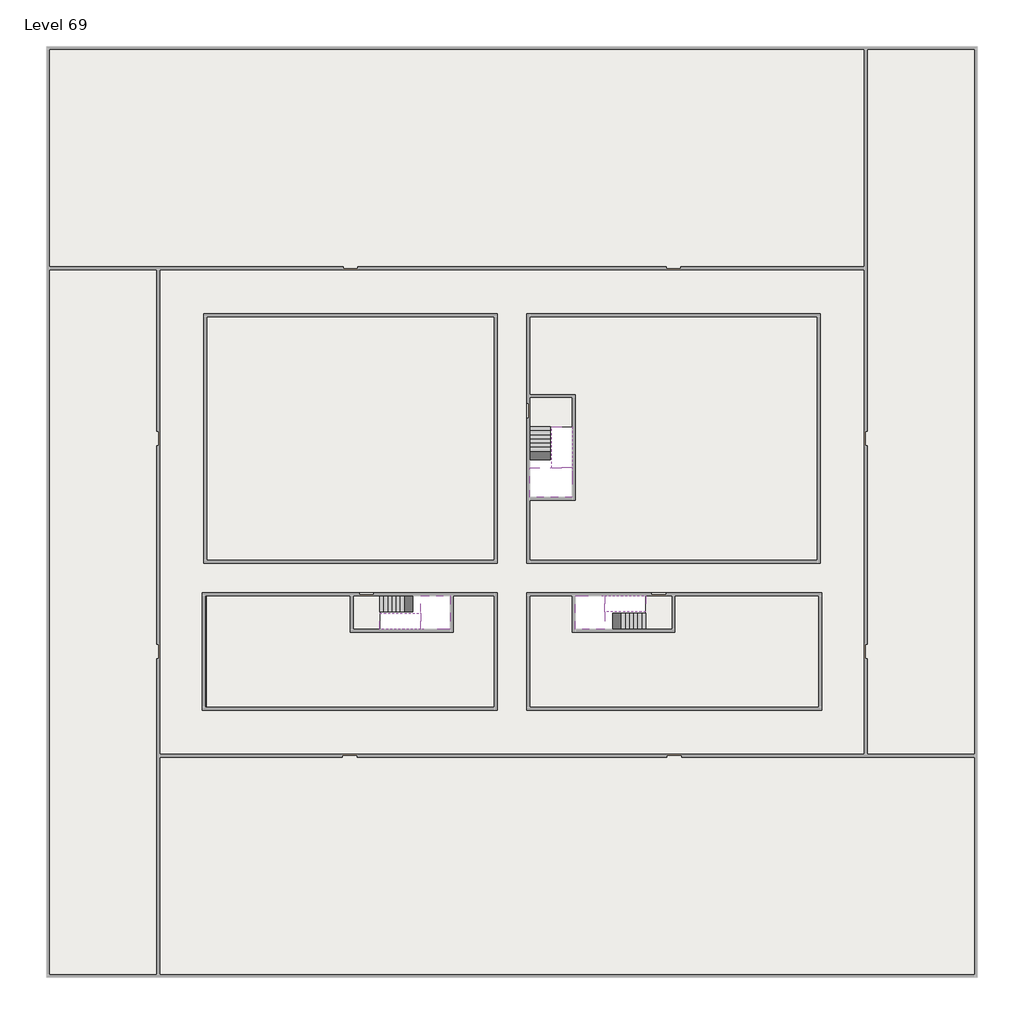
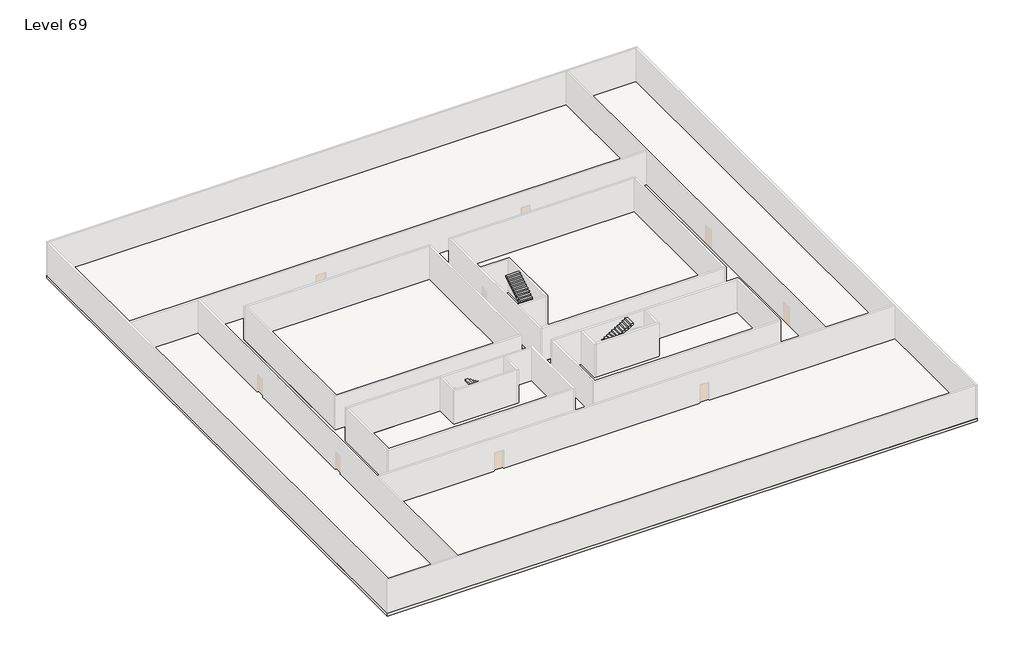
# One storey, part 2 of 2: 6 slabs, 6 stair flights.
"""IFC4 building model written with IfcOpenShell, lengths in millimetres."""

from ifc_helpers import new_model, si_unit, frame, origin, place, context, project, spatial, polyline, outline, extrude, faceted_brep, element, save

model = new_model("IFC4")

# Units and contexts
model_context = context("Model", 3, world=origin())
ifc_project = project(units=[si_unit("LENGTHUNIT", "METRE", prefix="MILLI")], contexts=[model_context])

# Site, building, storey
site = spatial("IfcSite", under=ifc_project)
building = spatial("IfcBuilding", under=site)
storey = spatial("IfcBuildingStorey", under=building, Name="Level 69", Elevation=258400.0)

# Slabs
placement = place(None, origin())
element("IfcSlab", 1, at=placement, inside=storey, context=model_context, shape_type="SweptSolid", body=[
    extrude(outline(polyline([(55890.1058784, -5518.09644), (55890.1058784, -68918.09644), (-7509.8941216, -68918.09644), (-7509.8941216, -5518.09644), (55890.1058784, -5518.09644)]), holes=[polyline([(23190.1058784, -23718.09644), (3190.1058784, -23718.09644), (3190.1058784, -40718.09644), (23190.1058784, -40718.09644), (23190.1058784, -23718.09644)]), polyline([(45190.1058784, -23718.09644), (25190.1058784, -23718.09644), (25190.1058784, -40718.09644), (45190.1058784, -40718.09644), (45190.1058784, -23718.09644)]), polyline([(23190.1058784, -50718.09644), (23190.1058784, -42718.09644), (3390.1058784, -42718.09644), (3390.1058784, -50718.09644), (23190.1058784, -50718.09644)]), polyline([(25190.1058784, -50718.09644), (45190.1058784, -50718.09644), (45190.1058784, -42718.09644), (25190.1058784, -42718.09644), (25190.1058784, -50718.09644)])]), frame((0.0, 0.0, 258100.0), z_axis=(0.0, 0.0, 1.0), x_axis=(1.0, 0.0, 0.0)), (0.0, 0.0, 1.0), 300.0),
])
element("IfcSlab", 2, at=placement, inside=storey, context=model_context, shape_type="Brep", body=[
    faceted_brep([(26790.1058784, -34218.09644, 260300.0), (25390.1058784, -34218.09644, 260300.0), (25390.1058784, -34297.4828763, 260300.0), (25390.1058784, -36218.09644, 260300.0), (28290.1058784, -36218.09644, 260300.0), (28290.1058784, -34418.7100038, 260300.0), (28290.1058784, -34218.09644, 260300.0), (26890.1058784, -34218.09644, 260300.0), (26790.1058784, -34218.09644, 260000.0), (26790.1058784, -34218.09644, 259951.0278478), (25390.1058784, -34218.09644, 259951.0278478), (25390.1058784, -34218.09644, 260127.2727273), (25390.1058784, -34297.4828763, 260000.0), (25390.1058784, -36218.09644, 260000.0), (28290.1058784, -36218.09644, 260000.0), (28290.1058784, -34418.7100038, 260000.0), (28290.1058784, -34218.09644, 260123.7551205), (26890.1058784, -34218.09644, 260123.7551205), (26890.1058784, -34218.09644, 260000.0), (26890.1058784, -34418.7100038, 260000.0), (26790.1058784, -34297.4828763, 260000.0)], [[[0, 1, 2, 3, 4, 5, 6, 7]], [[1, 0, 8, 9, 10, 11]], [[1, 11, 10, 12, 13, 3, 2]], [[4, 3, 13, 14]], [[4, 14, 15, 16, 6, 5]], [[7, 6, 16, 17]], [[0, 7, 17, 18, 8]], [[18, 19, 15, 14, 13, 12, 20, 8]], [[19, 18, 17]], [[20, 12, 10, 9]], [[8, 20, 9]], [[15, 19, 17, 16]]]),
])
element("IfcSlab", 3, at=placement, inside=storey, context=model_context, shape_type="SweptSolid", body=[
    extrude(outline(polyline([(22990.1058784, -23918.09644), (22990.1058784, -40518.09644), (3390.1058784, -40518.09644), (3390.1058784, -23918.09644), (22990.1058784, -23918.09644)])), frame((0.0, 0.0, 258100.0), z_axis=(0.0, 0.0, 1.0), x_axis=(1.0, 0.0, 0.0)), (0.0, 0.0, 1.0), 300.0),
    extrude(outline(polyline([(44990.1058784, -23918.09644), (44990.1058784, -40518.09644), (25390.1058784, -40518.09644), (25390.1058784, -36418.09644), (28490.1058784, -36418.09644), (28490.1058784, -29218.09644), (25390.1058784, -29218.09644), (25390.1058784, -23918.09644), (44990.1058784, -23918.09644)])), frame((0.0, 0.0, 258100.0), z_axis=(0.0, 0.0, 1.0), x_axis=(1.0, 0.0, 0.0)), (0.0, 0.0, 1.0), 300.0),
    extrude(outline(polyline([(22990.1058784, -42918.09644), (22990.1058784, -50518.09644), (3390.1058784, -50518.09644), (3390.1058784, -42918.09644), (13190.1058784, -42918.09644), (13190.1058784, -45418.09644), (20190.1058784, -45418.09644), (20190.1058784, -42918.09644), (22990.1058784, -42918.09644)])), frame((0.0, 0.0, 258100.0), z_axis=(0.0, 0.0, 1.0), x_axis=(1.0, 0.0, 0.0)), (0.0, 0.0, 1.0), 300.0),
    extrude(outline(polyline([(28290.1058784, -42918.09644), (28290.1058784, -45418.09644), (35290.1058784, -45418.09644), (35290.1058784, -42918.09644), (45090.1058784, -42918.09644), (45090.1058784, -50518.09644), (25390.1058784, -50518.09644), (25390.1058784, -42918.09644), (28290.1058784, -42918.09644)])), frame((0.0, 0.0, 258100.0), z_axis=(0.0, 0.0, 1.0), x_axis=(1.0, 0.0, 0.0)), (0.0, 0.0, 1.0), 300.0),
])
element("IfcSlab", 4, at=placement, inside=storey, context=model_context, shape_type="Brep", body=[
    faceted_brep([(30490.1058784, -45218.09644, 260300.0), (30490.1058784, -44118.09644, 260300.0), (30490.1058784, -44018.09644, 260300.0), (30490.1058784, -42918.09644, 260300.0), (30289.4923146, -42918.09644, 260300.0), (28490.1058784, -42918.09644, 260300.0), (28490.1058784, -45218.09644, 260300.0), (30410.7194421, -45218.09644, 260300.0), (30490.1058784, -45218.09644, 260127.2727273), (30490.1058784, -45218.09644, 259951.0278478), (30490.1058784, -44118.09644, 259951.0278478), (30490.1058784, -44118.09644, 260000.0), (30490.1058784, -44018.09644, 260000.0), (30490.1058784, -44018.09644, 260123.7551205), (30490.1058784, -42918.09644, 260123.7551205), (30289.4923146, -42918.09644, 260000.0), (28490.1058784, -42918.09644, 260000.0), (28490.1058784, -45218.09644, 260000.0), (30410.7194421, -45218.09644, 260000.0), (30289.4923146, -44018.09644, 260000.0), (30410.7194421, -44118.09644, 260000.0)], [[[0, 1, 2, 3, 4, 5, 6, 7]], [[1, 0, 8, 9, 10, 11]], [[2, 1, 11, 12, 13]], [[3, 2, 13, 14]], [[3, 14, 15, 16, 5, 4]], [[6, 5, 16, 17]], [[9, 8, 0, 7, 6, 17, 18]], [[19, 12, 11, 20, 18, 17, 16, 15]], [[12, 19, 13]], [[18, 20, 10, 9]], [[20, 11, 10]], [[19, 15, 14, 13]]]),
])
element("IfcSlab", 5, at=placement, inside=storey, context=model_context, shape_type="Brep", body=[
    faceted_brep([(17990.1058784, -42918.09644, 260300.0), (17990.1058784, -44018.09644, 260300.0), (17990.1058784, -44118.09644, 260300.0), (17990.1058784, -45218.09644, 260300.0), (18190.7194421, -45218.09644, 260300.0), (19990.1058784, -45218.09644, 260300.0), (19990.1058784, -42918.09644, 260300.0), (18069.4923146, -42918.09644, 260300.0), (17990.1058784, -42918.09644, 260127.2727273), (17990.1058784, -42918.09644, 259951.0278478), (17990.1058784, -44018.09644, 259951.0278478), (17990.1058784, -44018.09644, 260000.0), (17990.1058784, -44118.09644, 260000.0), (17990.1058784, -44118.09644, 260123.7551205), (17990.1058784, -45218.09644, 260123.7551205), (18190.7194421, -45218.09644, 260000.0), (19990.1058784, -45218.09644, 260000.0), (19990.1058784, -42918.09644, 260000.0), (18069.4923146, -42918.09644, 260000.0), (18190.7194421, -44118.09644, 260000.0), (18069.4923146, -44018.09644, 260000.0)], [[[0, 1, 2, 3, 4, 5, 6, 7]], [[1, 0, 8, 9, 10, 11]], [[2, 1, 11, 12, 13]], [[3, 2, 13, 14]], [[3, 14, 15, 16, 5, 4]], [[6, 5, 16, 17]], [[9, 8, 0, 7, 6, 17, 18]], [[19, 12, 11, 20, 18, 17, 16, 15]], [[12, 19, 13]], [[18, 20, 10, 9]], [[20, 11, 10]], [[19, 15, 14, 13]]]),
])
element("IfcSlab", 6, at=placement, inside=storey, context=model_context, shape_type="SweptSolid", body=[
    extrude(outline(polyline([(25190.1058784, -29418.09644), (28290.1058784, -29418.09644), (28290.1058784, -31418.09644), (25190.1058784, -31418.09644), (25190.1058784, -29418.09644)])), frame((0.0, 0.0, 258100.0), z_axis=(0.0, 0.0, 1.0), x_axis=(1.0, 0.0, 0.0)), (0.0, 0.0, 1.0), 300.0),
    extrude(outline(polyline([(15190.1058784, -45218.09644), (13390.1058784, -45218.09644), (13390.1058784, -42718.09644), (15190.1058784, -42718.09644), (15190.1058784, -45218.09644)])), frame((0.0, 0.0, 258100.0), z_axis=(0.0, 0.0, 1.0), x_axis=(1.0, 0.0, 0.0)), (0.0, 0.0, 1.0), 300.0),
    extrude(outline(polyline([(35090.1058784, -45218.09644), (33290.1058784, -45218.09644), (33290.1058784, -42718.09644), (35090.1058784, -42718.09644), (35090.1058784, -45218.09644)])), frame((0.0, 0.0, 258100.0), z_axis=(0.0, 0.0, 1.0), x_axis=(1.0, 0.0, 0.0)), (0.0, 0.0, 1.0), 300.0),
])

# Stair flights
element("IfcStairFlight", 7, at=placement, inside=storey, context=model_context, shape_type="Brep", body=[
    faceted_brep([(26790.1058784, -31698.09644, 258572.7272727), (26790.1058784, -31418.09644, 258572.7272727), (25390.1058784, -31418.09644, 258572.7272727), (25390.1058784, -31698.09644, 258572.7272727), (26790.1058784, -31698.09644, 258400.0), (26790.1058784, -31418.09644, 258400.0), (25390.1058784, -31418.09644, 258400.0), (25390.1058784, -31698.09644, 258400.0), (26790.1058784, -31978.09644, 258745.4545455), (26790.1058784, -31698.09644, 258745.4545455), (25390.1058784, -31698.09644, 258745.4545455), (25390.1058784, -31978.09644, 258745.4545455), (26790.1058784, -31978.09644, 258569.209666), (26790.1058784, -31703.7986657, 258400.0), (25390.1058784, -31703.7986657, 258400.0), (25390.1058784, -31978.09644, 258569.209666), (26790.1058784, -32258.09644, 258918.1818182), (26790.1058784, -31978.09644, 258918.1818182), (25390.1058784, -31978.09644, 258918.1818182), (25390.1058784, -32258.09644, 258918.1818182), (26790.1058784, -32258.09644, 258741.9369387), (25390.1058784, -32258.09644, 258741.9369387), (26790.1058784, -32538.09644, 259090.9090909), (26790.1058784, -32258.09644, 259090.9090909), (25390.1058784, -32258.09644, 259090.9090909), (25390.1058784, -32538.09644, 259090.9090909), (26790.1058784, -32538.09644, 258914.6642114), (25390.1058784, -32538.09644, 258914.6642114), (26790.1058784, -32818.09644, 259263.6363636), (26790.1058784, -32538.09644, 259263.6363636), (25390.1058784, -32538.09644, 259263.6363636), (25390.1058784, -32818.09644, 259263.6363636), (26790.1058784, -32818.09644, 259087.3914841), (25390.1058784, -32818.09644, 259087.3914841), (26790.1058784, -33098.09644, 259436.3636364), (26790.1058784, -32818.09644, 259436.3636364), (25390.1058784, -32818.09644, 259436.3636364), (25390.1058784, -33098.09644, 259436.3636364), (26790.1058784, -33098.09644, 259260.1187569), (25390.1058784, -33098.09644, 259260.1187569), (26790.1058784, -33378.09644, 259609.0909091), (26790.1058784, -33098.09644, 259609.0909091), (25390.1058784, -33098.09644, 259609.0909091), (25390.1058784, -33378.09644, 259609.0909091), (26790.1058784, -33378.09644, 259432.8460296), (25390.1058784, -33378.09644, 259432.8460296), (26790.1058784, -33658.09644, 259781.8181818), (26790.1058784, -33378.09644, 259781.8181818), (25390.1058784, -33378.09644, 259781.8181818), (25390.1058784, -33658.09644, 259781.8181818), (26790.1058784, -33658.09644, 259605.5733023), (25390.1058784, -33658.09644, 259605.5733023), (26790.1058784, -33938.09644, 259954.5454545), (26790.1058784, -33658.09644, 259954.5454545), (25390.1058784, -33658.09644, 259954.5454545), (25390.1058784, -33938.09644, 259954.5454545), (26790.1058784, -33938.09644, 259778.3005751), (25390.1058784, -33938.09644, 259778.3005751), (26790.1058784, -34218.09644, 260127.2727273), (26790.1058784, -33938.09644, 260127.2727273), (25390.1058784, -33938.09644, 260127.2727273), (25390.1058784, -34218.09644, 260127.2727273), (26790.1058784, -34218.09644, 260000.0), (26790.1058784, -34218.09644, 259951.0278478), (25390.1058784, -34218.09644, 259951.0278478)], [[[0, 1, 2, 3]], [[1, 0, 4, 5]], [[2, 1, 5, 6]], [[3, 2, 6, 7]], [[8, 9, 10, 11]], [[4, 0, 9, 8, 12, 13]], [[0, 3, 10, 9]], [[3, 7, 14, 15, 11, 10]], [[16, 17, 18, 19]], [[17, 16, 20, 12, 8]], [[8, 11, 18, 17]], [[19, 18, 11, 15, 21]], [[22, 23, 24, 25]], [[23, 22, 26, 20, 16]], [[16, 19, 24, 23]], [[25, 24, 19, 21, 27]], [[28, 29, 30, 31]], [[29, 28, 32, 26, 22]], [[22, 25, 30, 29]], [[31, 30, 25, 27, 33]], [[34, 35, 36, 37]], [[35, 34, 38, 32, 28]], [[28, 31, 36, 35]], [[37, 36, 31, 33, 39]], [[40, 41, 42, 43]], [[41, 40, 44, 38, 34]], [[34, 37, 42, 41]], [[43, 42, 37, 39, 45]], [[46, 47, 48, 49]], [[47, 46, 50, 44, 40]], [[40, 43, 48, 47]], [[49, 48, 43, 45, 51]], [[52, 53, 54, 55]], [[53, 52, 56, 50, 46]], [[46, 49, 54, 53]], [[55, 54, 49, 51, 57]], [[58, 59, 60, 61]], [[59, 58, 62, 63, 56, 52]], [[52, 55, 60, 59]], [[61, 60, 55, 57, 64]], [[58, 61, 64, 63, 62]], [[5, 4, 13, 14, 7, 6]], [[14, 13, 12, 20, 26, 32, 38, 44, 50, 56, 63, 64, 57, 51, 45, 39, 33, 27, 21, 15]]]),
])
element("IfcStairFlight", 8, at=placement, inside=storey, context=model_context, shape_type="Brep", body=[
    faceted_brep([(26890.1058784, -33938.09644, 260472.7272727), (26890.1058784, -34218.09644, 260472.7272727), (28290.1058784, -34218.09644, 260472.7272727), (28290.1058784, -33938.09644, 260472.7272727), (26890.1058784, -33938.09644, 260296.4823932), (26890.1058784, -34218.09644, 260123.7551205), (28290.1058784, -34218.09644, 260123.7551205), (28290.1058784, -34218.09644, 260300.0), (28290.1058784, -33938.09644, 260296.4823932), (26890.1058784, -33658.09644, 260645.4545455), (26890.1058784, -33938.09644, 260645.4545455), (28290.1058784, -33938.09644, 260645.4545455), (28290.1058784, -33658.09644, 260645.4545455), (26890.1058784, -33658.09644, 260469.209666), (28290.1058784, -33658.09644, 260469.209666), (26890.1058784, -33378.09644, 260818.1818182), (26890.1058784, -33658.09644, 260818.1818182), (28290.1058784, -33658.09644, 260818.1818182), (28290.1058784, -33378.09644, 260818.1818182), (26890.1058784, -33378.09644, 260641.9369387), (28290.1058784, -33378.09644, 260641.9369387), (26890.1058784, -33098.09644, 260990.9090909), (26890.1058784, -33378.09644, 260990.9090909), (28290.1058784, -33378.09644, 260990.9090909), (28290.1058784, -33098.09644, 260990.9090909), (26890.1058784, -33098.09644, 260814.6642114), (28290.1058784, -33098.09644, 260814.6642114), (26890.1058784, -32818.09644, 261163.6363636), (26890.1058784, -33098.09644, 261163.6363636), (28290.1058784, -33098.09644, 261163.6363636), (28290.1058784, -32818.09644, 261163.6363636), (26890.1058784, -32818.09644, 260987.3914841), (28290.1058784, -32818.09644, 260987.3914841), (26890.1058784, -32538.09644, 261336.3636364), (26890.1058784, -32818.09644, 261336.3636364), (28290.1058784, -32818.09644, 261336.3636364), (28290.1058784, -32538.09644, 261336.3636364), (26890.1058784, -32538.09644, 261160.1187569), (28290.1058784, -32538.09644, 261160.1187569), (26890.1058784, -32258.09644, 261509.0909091), (26890.1058784, -32538.09644, 261509.0909091), (28290.1058784, -32538.09644, 261509.0909091), (28290.1058784, -32258.09644, 261509.0909091), (26890.1058784, -32258.09644, 261332.8460296), (28290.1058784, -32258.09644, 261332.8460296), (26890.1058784, -31978.09644, 261681.8181818), (26890.1058784, -32258.09644, 261681.8181818), (28290.1058784, -32258.09644, 261681.8181818), (28290.1058784, -31978.09644, 261681.8181818), (26890.1058784, -31978.09644, 261505.5733023), (28290.1058784, -31978.09644, 261505.5733023), (26890.1058784, -31698.09644, 261854.5454545), (26890.1058784, -31978.09644, 261854.5454545), (28290.1058784, -31978.09644, 261854.5454545), (28290.1058784, -31698.09644, 261854.5454545), (26890.1058784, -31698.09644, 261678.3005751), (28290.1058784, -31698.09644, 261678.3005751), (26890.1058784, -31418.09644, 262027.2727273), (26890.1058784, -31698.09644, 262027.2727273), (28290.1058784, -31698.09644, 262027.2727273), (28290.1058784, -31418.09644, 262027.2727273), (26890.1058784, -31418.09644, 261851.0278478), (28290.1058784, -31418.09644, 261851.0278478)], [[[0, 1, 2, 3]], [[1, 0, 4, 5]], [[2, 1, 5, 6, 7]], [[3, 2, 7, 6, 8]], [[9, 10, 11, 12]], [[10, 9, 13, 4, 0]], [[11, 10, 0, 3]], [[12, 11, 3, 8, 14]], [[15, 16, 17, 18]], [[16, 15, 19, 13, 9]], [[17, 16, 9, 12]], [[18, 17, 12, 14, 20]], [[21, 22, 23, 24]], [[22, 21, 25, 19, 15]], [[23, 22, 15, 18]], [[24, 23, 18, 20, 26]], [[27, 28, 29, 30]], [[28, 27, 31, 25, 21]], [[29, 28, 21, 24]], [[30, 29, 24, 26, 32]], [[33, 34, 35, 36]], [[34, 33, 37, 31, 27]], [[35, 34, 27, 30]], [[36, 35, 30, 32, 38]], [[39, 40, 41, 42]], [[40, 39, 43, 37, 33]], [[41, 40, 33, 36]], [[42, 41, 36, 38, 44]], [[45, 46, 47, 48]], [[46, 45, 49, 43, 39]], [[47, 46, 39, 42]], [[48, 47, 42, 44, 50]], [[51, 52, 53, 54]], [[52, 51, 55, 49, 45]], [[53, 52, 45, 48]], [[54, 53, 48, 50, 56]], [[57, 58, 59, 60]], [[58, 57, 61, 55, 51]], [[59, 58, 51, 54]], [[60, 59, 54, 56, 62]], [[57, 60, 62, 61]], [[5, 4, 13, 19, 25, 31, 37, 43, 49, 55, 61, 62, 56, 50, 44, 38, 32, 26, 20, 14, 8, 6]]]),
])
element("IfcStairFlight", 9, at=placement, inside=storey, context=model_context, shape_type="Brep", body=[
    faceted_brep([(33010.1058784, -45218.09644, 258572.7272727), (33290.1058784, -45218.09644, 258572.7272727), (33290.1058784, -44118.09644, 258572.7272727), (33010.1058784, -44118.09644, 258572.7272727), (33010.1058784, -45218.09644, 258400.0), (33290.1058784, -45218.09644, 258400.0), (33290.1058784, -44118.09644, 258400.0), (33010.1058784, -44118.09644, 258400.0), (32730.1058784, -45218.09644, 258745.4545455), (33010.1058784, -45218.09644, 258745.4545455), (33010.1058784, -44118.09644, 258745.4545455), (32730.1058784, -44118.09644, 258745.4545455), (32730.1058784, -45218.09644, 258569.209666), (33004.4036527, -45218.09644, 258400.0), (33004.4036527, -44118.09644, 258400.0), (32730.1058784, -44118.09644, 258569.209666), (32450.1058784, -45218.09644, 258918.1818182), (32730.1058784, -45218.09644, 258918.1818182), (32730.1058784, -44118.09644, 258918.1818182), (32450.1058784, -44118.09644, 258918.1818182), (32450.1058784, -45218.09644, 258741.9369387), (32450.1058784, -44118.09644, 258741.9369387), (32170.1058784, -45218.09644, 259090.9090909), (32450.1058784, -45218.09644, 259090.9090909), (32450.1058784, -44118.09644, 259090.9090909), (32170.1058784, -44118.09644, 259090.9090909), (32170.1058784, -45218.09644, 258914.6642114), (32170.1058784, -44118.09644, 258914.6642114), (31890.1058784, -45218.09644, 259263.6363636), (32170.1058784, -45218.09644, 259263.6363636), (32170.1058784, -44118.09644, 259263.6363636), (31890.1058784, -44118.09644, 259263.6363636), (31890.1058784, -45218.09644, 259087.3914841), (31890.1058784, -44118.09644, 259087.3914841), (31610.1058784, -45218.09644, 259436.3636364), (31890.1058784, -45218.09644, 259436.3636364), (31890.1058784, -44118.09644, 259436.3636364), (31610.1058784, -44118.09644, 259436.3636364), (31610.1058784, -45218.09644, 259260.1187569), (31610.1058784, -44118.09644, 259260.1187569), (31330.1058784, -45218.09644, 259609.0909091), (31610.1058784, -45218.09644, 259609.0909091), (31610.1058784, -44118.09644, 259609.0909091), (31330.1058784, -44118.09644, 259609.0909091), (31330.1058784, -45218.09644, 259432.8460296), (31330.1058784, -44118.09644, 259432.8460296), (31050.1058784, -45218.09644, 259781.8181818), (31330.1058784, -45218.09644, 259781.8181818), (31330.1058784, -44118.09644, 259781.8181818), (31050.1058784, -44118.09644, 259781.8181818), (31050.1058784, -45218.09644, 259605.5733023), (31050.1058784, -44118.09644, 259605.5733023), (30770.1058784, -45218.09644, 259954.5454545), (31050.1058784, -45218.09644, 259954.5454545), (31050.1058784, -44118.09644, 259954.5454545), (30770.1058784, -44118.09644, 259954.5454545), (30770.1058784, -45218.09644, 259778.3005751), (30770.1058784, -44118.09644, 259778.3005751), (30490.1058784, -45218.09644, 260127.2727273), (30770.1058784, -45218.09644, 260127.2727273), (30770.1058784, -44118.09644, 260127.2727273), (30490.1058784, -44118.09644, 260127.2727273), (30490.1058784, -45218.09644, 259951.0278478), (30490.1058784, -44118.09644, 259951.0278478), (30490.1058784, -44118.09644, 260000.0)], [[[0, 1, 2, 3]], [[1, 0, 4, 5]], [[2, 1, 5, 6]], [[3, 2, 6, 7]], [[8, 9, 10, 11]], [[4, 0, 9, 8, 12, 13]], [[0, 3, 10, 9]], [[3, 7, 14, 15, 11, 10]], [[16, 17, 18, 19]], [[17, 16, 20, 12, 8]], [[8, 11, 18, 17]], [[19, 18, 11, 15, 21]], [[22, 23, 24, 25]], [[23, 22, 26, 20, 16]], [[16, 19, 24, 23]], [[25, 24, 19, 21, 27]], [[28, 29, 30, 31]], [[29, 28, 32, 26, 22]], [[22, 25, 30, 29]], [[31, 30, 25, 27, 33]], [[34, 35, 36, 37]], [[35, 34, 38, 32, 28]], [[28, 31, 36, 35]], [[37, 36, 31, 33, 39]], [[40, 41, 42, 43]], [[41, 40, 44, 38, 34]], [[34, 37, 42, 41]], [[43, 42, 37, 39, 45]], [[46, 47, 48, 49]], [[47, 46, 50, 44, 40]], [[40, 43, 48, 47]], [[49, 48, 43, 45, 51]], [[52, 53, 54, 55]], [[53, 52, 56, 50, 46]], [[46, 49, 54, 53]], [[55, 54, 49, 51, 57]], [[58, 59, 60, 61]], [[59, 58, 62, 56, 52]], [[52, 55, 60, 59]], [[61, 60, 55, 57, 63, 64]], [[58, 61, 64, 63, 62]], [[5, 4, 13, 14, 7, 6]], [[14, 13, 12, 20, 26, 32, 38, 44, 50, 56, 62, 63, 57, 51, 45, 39, 33, 27, 21, 15]]]),
])
element("IfcStairFlight", 10, at=placement, inside=storey, context=model_context, shape_type="Brep", body=[
    faceted_brep([(30770.1058784, -42918.09644, 260472.7272727), (30490.1058784, -42918.09644, 260472.7272727), (30490.1058784, -44018.09644, 260472.7272727), (30770.1058784, -44018.09644, 260472.7272727), (30770.1058784, -42918.09644, 260296.4823932), (30490.1058784, -42918.09644, 260123.7551205), (30490.1058784, -42918.09644, 260300.0), (30490.1058784, -44018.09644, 260123.7551205), (30770.1058784, -44018.09644, 260296.4823932), (31050.1058784, -42918.09644, 260645.4545455), (30770.1058784, -42918.09644, 260645.4545455), (30770.1058784, -44018.09644, 260645.4545455), (31050.1058784, -44018.09644, 260645.4545455), (31050.1058784, -42918.09644, 260469.209666), (31050.1058784, -44018.09644, 260469.209666), (31330.1058784, -42918.09644, 260818.1818182), (31050.1058784, -42918.09644, 260818.1818182), (31050.1058784, -44018.09644, 260818.1818182), (31330.1058784, -44018.09644, 260818.1818182), (31330.1058784, -42918.09644, 260641.9369387), (31330.1058784, -44018.09644, 260641.9369387), (31610.1058784, -42918.09644, 260990.9090909), (31330.1058784, -42918.09644, 260990.9090909), (31330.1058784, -44018.09644, 260990.9090909), (31610.1058784, -44018.09644, 260990.9090909), (31610.1058784, -42918.09644, 260814.6642114), (31610.1058784, -44018.09644, 260814.6642114), (31890.1058784, -42918.09644, 261163.6363636), (31610.1058784, -42918.09644, 261163.6363636), (31610.1058784, -44018.09644, 261163.6363636), (31890.1058784, -44018.09644, 261163.6363636), (31890.1058784, -42918.09644, 260987.3914841), (31890.1058784, -44018.09644, 260987.3914841), (32170.1058784, -42918.09644, 261336.3636364), (31890.1058784, -42918.09644, 261336.3636364), (31890.1058784, -44018.09644, 261336.3636364), (32170.1058784, -44018.09644, 261336.3636364), (32170.1058784, -42918.09644, 261160.1187569), (32170.1058784, -44018.09644, 261160.1187569), (32450.1058784, -42918.09644, 261509.0909091), (32170.1058784, -42918.09644, 261509.0909091), (32170.1058784, -44018.09644, 261509.0909091), (32450.1058784, -44018.09644, 261509.0909091), (32450.1058784, -42918.09644, 261332.8460296), (32450.1058784, -44018.09644, 261332.8460296), (32730.1058784, -42918.09644, 261681.8181818), (32450.1058784, -42918.09644, 261681.8181818), (32450.1058784, -44018.09644, 261681.8181818), (32730.1058784, -44018.09644, 261681.8181818), (32730.1058784, -42918.09644, 261505.5733023), (32730.1058784, -44018.09644, 261505.5733023), (33010.1058784, -42918.09644, 261854.5454545), (32730.1058784, -42918.09644, 261854.5454545), (32730.1058784, -44018.09644, 261854.5454545), (33010.1058784, -44018.09644, 261854.5454545), (33010.1058784, -42918.09644, 261678.3005751), (33010.1058784, -44018.09644, 261678.3005751), (33290.1058784, -42918.09644, 262027.2727273), (33010.1058784, -42918.09644, 262027.2727273), (33010.1058784, -44018.09644, 262027.2727273), (33290.1058784, -44018.09644, 262027.2727273), (33290.1058784, -42918.09644, 261851.0278478), (33290.1058784, -44018.09644, 261851.0278478)], [[[0, 1, 2, 3]], [[1, 0, 4, 5, 6]], [[2, 1, 6, 5, 7]], [[3, 2, 7, 8]], [[9, 10, 11, 12]], [[10, 9, 13, 4, 0]], [[11, 10, 0, 3]], [[12, 11, 3, 8, 14]], [[15, 16, 17, 18]], [[16, 15, 19, 13, 9]], [[17, 16, 9, 12]], [[18, 17, 12, 14, 20]], [[21, 22, 23, 24]], [[22, 21, 25, 19, 15]], [[23, 22, 15, 18]], [[24, 23, 18, 20, 26]], [[27, 28, 29, 30]], [[28, 27, 31, 25, 21]], [[29, 28, 21, 24]], [[30, 29, 24, 26, 32]], [[33, 34, 35, 36]], [[34, 33, 37, 31, 27]], [[35, 34, 27, 30]], [[36, 35, 30, 32, 38]], [[39, 40, 41, 42]], [[40, 39, 43, 37, 33]], [[41, 40, 33, 36]], [[42, 41, 36, 38, 44]], [[45, 46, 47, 48]], [[46, 45, 49, 43, 39]], [[47, 46, 39, 42]], [[48, 47, 42, 44, 50]], [[51, 52, 53, 54]], [[52, 51, 55, 49, 45]], [[53, 52, 45, 48]], [[54, 53, 48, 50, 56]], [[57, 58, 59, 60]], [[58, 57, 61, 55, 51]], [[59, 58, 51, 54]], [[60, 59, 54, 56, 62]], [[57, 60, 62, 61]], [[5, 4, 13, 19, 25, 31, 37, 43, 49, 55, 61, 62, 56, 50, 44, 38, 32, 26, 20, 14, 8, 7]]]),
])
element("IfcStairFlight", 11, at=placement, inside=storey, context=model_context, shape_type="Brep", body=[
    faceted_brep([(15470.1058784, -42918.09644, 258572.7272727), (15190.1058784, -42918.09644, 258572.7272727), (15190.1058784, -44018.09644, 258572.7272727), (15470.1058784, -44018.09644, 258572.7272727), (15470.1058784, -42918.09644, 258400.0), (15190.1058784, -42918.09644, 258400.0), (15190.1058784, -44018.09644, 258400.0), (15470.1058784, -44018.09644, 258400.0), (15750.1058784, -42918.09644, 258745.4545455), (15470.1058784, -42918.09644, 258745.4545455), (15470.1058784, -44018.09644, 258745.4545455), (15750.1058784, -44018.09644, 258745.4545455), (15750.1058784, -42918.09644, 258569.209666), (15475.8081041, -42918.09644, 258400.0), (15475.8081041, -44018.09644, 258400.0), (15750.1058784, -44018.09644, 258569.209666), (16030.1058784, -42918.09644, 258918.1818182), (15750.1058784, -42918.09644, 258918.1818182), (15750.1058784, -44018.09644, 258918.1818182), (16030.1058784, -44018.09644, 258918.1818182), (16030.1058784, -42918.09644, 258741.9369387), (16030.1058784, -44018.09644, 258741.9369387), (16310.1058784, -42918.09644, 259090.9090909), (16030.1058784, -42918.09644, 259090.9090909), (16030.1058784, -44018.09644, 259090.9090909), (16310.1058784, -44018.09644, 259090.9090909), (16310.1058784, -42918.09644, 258914.6642114), (16310.1058784, -44018.09644, 258914.6642114), (16590.1058784, -42918.09644, 259263.6363636), (16310.1058784, -42918.09644, 259263.6363636), (16310.1058784, -44018.09644, 259263.6363636), (16590.1058784, -44018.09644, 259263.6363636), (16590.1058784, -42918.09644, 259087.3914841), (16590.1058784, -44018.09644, 259087.3914841), (16870.1058784, -42918.09644, 259436.3636364), (16590.1058784, -42918.09644, 259436.3636364), (16590.1058784, -44018.09644, 259436.3636364), (16870.1058784, -44018.09644, 259436.3636364), (16870.1058784, -42918.09644, 259260.1187569), (16870.1058784, -44018.09644, 259260.1187569), (17150.1058784, -42918.09644, 259609.0909091), (16870.1058784, -42918.09644, 259609.0909091), (16870.1058784, -44018.09644, 259609.0909091), (17150.1058784, -44018.09644, 259609.0909091), (17150.1058784, -42918.09644, 259432.8460296), (17150.1058784, -44018.09644, 259432.8460296), (17430.1058784, -42918.09644, 259781.8181818), (17150.1058784, -42918.09644, 259781.8181818), (17150.1058784, -44018.09644, 259781.8181818), (17430.1058784, -44018.09644, 259781.8181818), (17430.1058784, -42918.09644, 259605.5733023), (17430.1058784, -44018.09644, 259605.5733023), (17710.1058784, -42918.09644, 259954.5454545), (17430.1058784, -42918.09644, 259954.5454545), (17430.1058784, -44018.09644, 259954.5454545), (17710.1058784, -44018.09644, 259954.5454545), (17710.1058784, -42918.09644, 259778.3005751), (17710.1058784, -44018.09644, 259778.3005751), (17990.1058784, -42918.09644, 260127.2727273), (17710.1058784, -42918.09644, 260127.2727273), (17710.1058784, -44018.09644, 260127.2727273), (17990.1058784, -44018.09644, 260127.2727273), (17990.1058784, -42918.09644, 259951.0278478), (17990.1058784, -44018.09644, 259951.0278478), (17990.1058784, -44018.09644, 260000.0)], [[[0, 1, 2, 3]], [[1, 0, 4, 5]], [[2, 1, 5, 6]], [[3, 2, 6, 7]], [[8, 9, 10, 11]], [[4, 0, 9, 8, 12, 13]], [[0, 3, 10, 9]], [[3, 7, 14, 15, 11, 10]], [[16, 17, 18, 19]], [[17, 16, 20, 12, 8]], [[8, 11, 18, 17]], [[19, 18, 11, 15, 21]], [[22, 23, 24, 25]], [[23, 22, 26, 20, 16]], [[16, 19, 24, 23]], [[25, 24, 19, 21, 27]], [[28, 29, 30, 31]], [[29, 28, 32, 26, 22]], [[22, 25, 30, 29]], [[31, 30, 25, 27, 33]], [[34, 35, 36, 37]], [[35, 34, 38, 32, 28]], [[28, 31, 36, 35]], [[37, 36, 31, 33, 39]], [[40, 41, 42, 43]], [[41, 40, 44, 38, 34]], [[34, 37, 42, 41]], [[43, 42, 37, 39, 45]], [[46, 47, 48, 49]], [[47, 46, 50, 44, 40]], [[40, 43, 48, 47]], [[49, 48, 43, 45, 51]], [[52, 53, 54, 55]], [[53, 52, 56, 50, 46]], [[46, 49, 54, 53]], [[55, 54, 49, 51, 57]], [[58, 59, 60, 61]], [[59, 58, 62, 56, 52]], [[52, 55, 60, 59]], [[61, 60, 55, 57, 63, 64]], [[58, 61, 64, 63, 62]], [[5, 4, 13, 14, 7, 6]], [[14, 13, 12, 20, 26, 32, 38, 44, 50, 56, 62, 63, 57, 51, 45, 39, 33, 27, 21, 15]]]),
])
element("IfcStairFlight", 12, at=placement, inside=storey, context=model_context, shape_type="Brep", body=[
    faceted_brep([(17710.1058784, -45218.09644, 260472.7272727), (17990.1058784, -45218.09644, 260472.7272727), (17990.1058784, -44118.09644, 260472.7272727), (17710.1058784, -44118.09644, 260472.7272727), (17710.1058784, -45218.09644, 260296.4823932), (17990.1058784, -45218.09644, 260123.7551205), (17990.1058784, -45218.09644, 260300.0), (17990.1058784, -44118.09644, 260123.7551205), (17710.1058784, -44118.09644, 260296.4823932), (17430.1058784, -45218.09644, 260645.4545455), (17710.1058784, -45218.09644, 260645.4545455), (17710.1058784, -44118.09644, 260645.4545455), (17430.1058784, -44118.09644, 260645.4545455), (17430.1058784, -45218.09644, 260469.209666), (17430.1058784, -44118.09644, 260469.209666), (17150.1058784, -45218.09644, 260818.1818182), (17430.1058784, -45218.09644, 260818.1818182), (17430.1058784, -44118.09644, 260818.1818182), (17150.1058784, -44118.09644, 260818.1818182), (17150.1058784, -45218.09644, 260641.9369387), (17150.1058784, -44118.09644, 260641.9369387), (16870.1058784, -45218.09644, 260990.9090909), (17150.1058784, -45218.09644, 260990.9090909), (17150.1058784, -44118.09644, 260990.9090909), (16870.1058784, -44118.09644, 260990.9090909), (16870.1058784, -45218.09644, 260814.6642114), (16870.1058784, -44118.09644, 260814.6642114), (16590.1058784, -45218.09644, 261163.6363636), (16870.1058784, -45218.09644, 261163.6363636), (16870.1058784, -44118.09644, 261163.6363636), (16590.1058784, -44118.09644, 261163.6363636), (16590.1058784, -45218.09644, 260987.3914841), (16590.1058784, -44118.09644, 260987.3914841), (16310.1058784, -45218.09644, 261336.3636364), (16590.1058784, -45218.09644, 261336.3636364), (16590.1058784, -44118.09644, 261336.3636364), (16310.1058784, -44118.09644, 261336.3636364), (16310.1058784, -45218.09644, 261160.1187569), (16310.1058784, -44118.09644, 261160.1187569), (16030.1058784, -45218.09644, 261509.0909091), (16310.1058784, -45218.09644, 261509.0909091), (16310.1058784, -44118.09644, 261509.0909091), (16030.1058784, -44118.09644, 261509.0909091), (16030.1058784, -45218.09644, 261332.8460296), (16030.1058784, -44118.09644, 261332.8460296), (15750.1058784, -45218.09644, 261681.8181818), (16030.1058784, -45218.09644, 261681.8181818), (16030.1058784, -44118.09644, 261681.8181818), (15750.1058784, -44118.09644, 261681.8181818), (15750.1058784, -45218.09644, 261505.5733023), (15750.1058784, -44118.09644, 261505.5733023), (15470.1058784, -45218.09644, 261854.5454545), (15750.1058784, -45218.09644, 261854.5454545), (15750.1058784, -44118.09644, 261854.5454545), (15470.1058784, -44118.09644, 261854.5454545), (15470.1058784, -45218.09644, 261678.3005751), (15470.1058784, -44118.09644, 261678.3005751), (15190.1058784, -45218.09644, 262027.2727273), (15470.1058784, -45218.09644, 262027.2727273), (15470.1058784, -44118.09644, 262027.2727273), (15190.1058784, -44118.09644, 262027.2727273), (15190.1058784, -45218.09644, 261851.0278478), (15190.1058784, -44118.09644, 261851.0278478)], [[[0, 1, 2, 3]], [[1, 0, 4, 5, 6]], [[2, 1, 6, 5, 7]], [[3, 2, 7, 8]], [[9, 10, 11, 12]], [[10, 9, 13, 4, 0]], [[11, 10, 0, 3]], [[12, 11, 3, 8, 14]], [[15, 16, 17, 18]], [[16, 15, 19, 13, 9]], [[17, 16, 9, 12]], [[18, 17, 12, 14, 20]], [[21, 22, 23, 24]], [[22, 21, 25, 19, 15]], [[23, 22, 15, 18]], [[24, 23, 18, 20, 26]], [[27, 28, 29, 30]], [[28, 27, 31, 25, 21]], [[29, 28, 21, 24]], [[30, 29, 24, 26, 32]], [[33, 34, 35, 36]], [[34, 33, 37, 31, 27]], [[35, 34, 27, 30]], [[36, 35, 30, 32, 38]], [[39, 40, 41, 42]], [[40, 39, 43, 37, 33]], [[41, 40, 33, 36]], [[42, 41, 36, 38, 44]], [[45, 46, 47, 48]], [[46, 45, 49, 43, 39]], [[47, 46, 39, 42]], [[48, 47, 42, 44, 50]], [[51, 52, 53, 54]], [[52, 51, 55, 49, 45]], [[53, 52, 45, 48]], [[54, 53, 48, 50, 56]], [[57, 58, 59, 60]], [[58, 57, 61, 55, 51]], [[59, 58, 51, 54]], [[60, 59, 54, 56, 62]], [[57, 60, 62, 61]], [[5, 4, 13, 19, 25, 31, 37, 43, 49, 55, 61, 62, 56, 50, 44, 38, 32, 26, 20, 14, 8, 7]]]),
])

save(model, "model.ifc")
